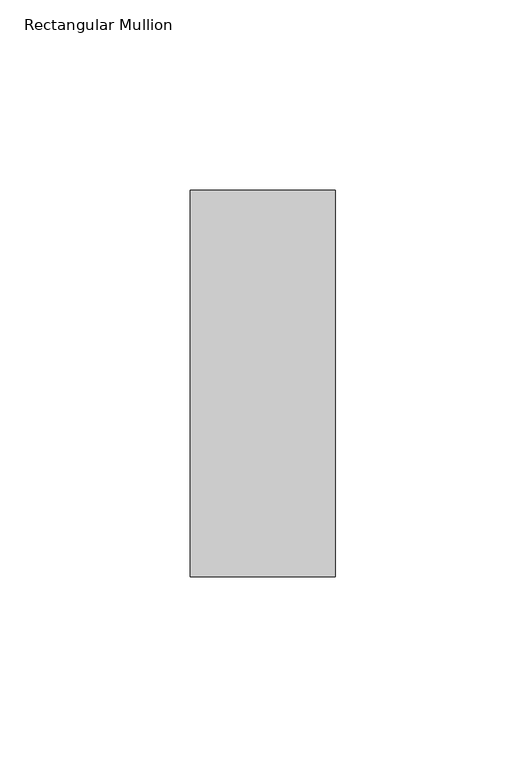
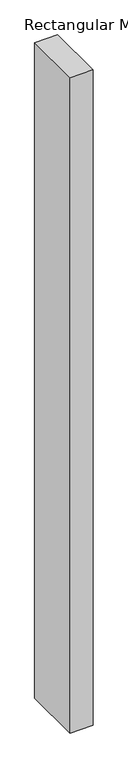
"""IFC4 building model written with IfcOpenShell, lengths in millimetres: member geometry, Rectangular Mullion."""

from ifc_helpers import new_model, si_unit, frame, origin, place, context, project, spatial, polyline, outline, extrude, source, transform, mapped, element, save


def rectangular_mullion_36a8934c(model_context):
    return source(origin(), model_context, "Body", "SweptSolid", [
        extrude(outline(polyline([(-38.0864723, -50.8), (-38.0864723, 50.8), (0.0, 50.8), (0.0, -50.8), (-38.0864723, -50.8)])), frame((0.0, 0.0, -1151.442922), z_axis=(0.0, 0.0, 1.0), x_axis=(1.0, 0.0, 0.0)), (0.0, 0.0, 1.0), 1151.442922),
    ])


if __name__ == "__main__":
    model = new_model("IFC4")
    model_context = context("Model", 3, world=origin())
    ifc_project = project(units=[si_unit("LENGTHUNIT", "METRE", prefix="MILLI")], contexts=[model_context])
    site = spatial("IfcSite", under=ifc_project)
    building = spatial("IfcBuilding", under=site)
    placement = place(None, origin())
    rectangular_mullion_shape = rectangular_mullion_36a8934c(model_context)
    element("IfcMember", 1, ObjectType="Rectangular Mullion", at=placement, inside=building, context=model_context, shape_type="MappedRepresentation", body=[
        mapped(rectangular_mullion_shape, transform((0.0, 0.0, 0.0), x_axis=(1.0, 0.0, 0.0), y_axis=(0.0, 1.0, 0.0), z_axis=(0.0, 0.0, 1.0))),
    ])
    save(model, "model.ifc")
